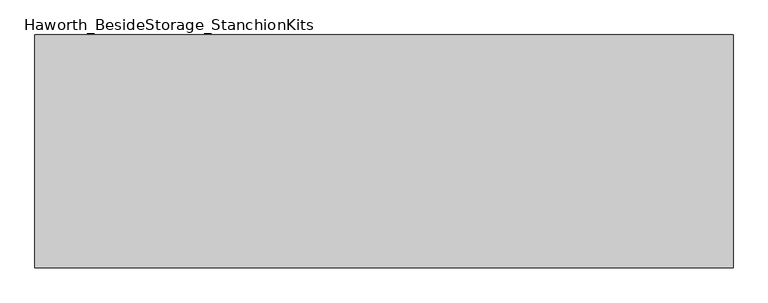
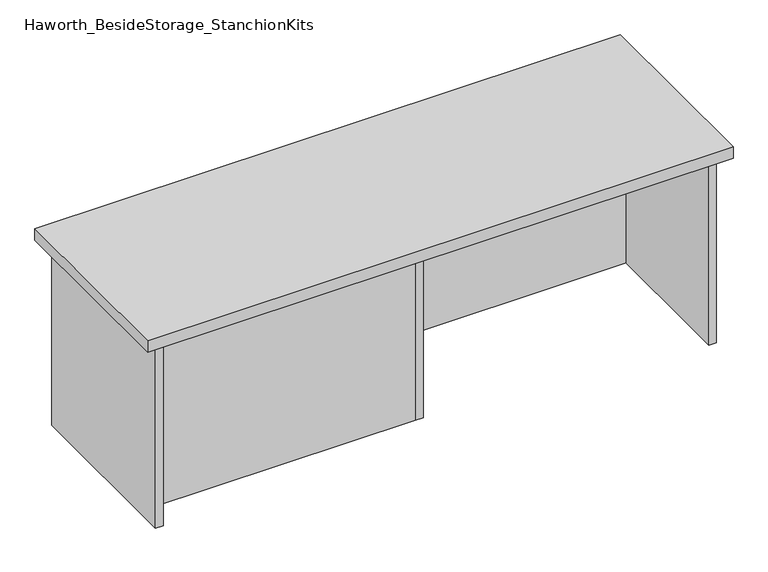
"""IFC4 building model written with IfcOpenShell, lengths in millimetres: furniture geometry, Haworth_BesideStorage_StanchionKits."""

from ifc_helpers import new_model, si_unit, frame, origin, place, context, project, spatial, polyline, outline, extrude, source, transform, mapped, element, save


def haworth_besidestorage_stanchionkits_1e2cc4ef(model_context):
    return source(origin(), model_context, "Body", "SweptSolid", [
        extrude(outline(polyline([(771.525, 0.0), (771.525, -406.4), (-447.675, -406.4), (-447.675, 0.0), (771.525, 0.0)])), frame((0.0, 0.0, 838.2), z_axis=(0.0, 0.0, 1.0), x_axis=(1.0, 0.0, 0.0)), (0.0, 0.0, 1.0), 25.4),
        extrude(outline(polyline([(169.8625, -76.2), (730.25, -76.2), (730.25, -92.075), (169.8625, -92.075), (169.8625, -76.2)])), frame((0.0, 0.0, 431.8), z_axis=(0.0, 0.0, 1.0), x_axis=(1.0, 0.0, 0.0)), (0.0, 0.0, 1.0), 406.4),
        extrude(outline(polyline([(153.9875, -314.325), (153.9875, -330.2), (-406.4, -330.2), (-406.4, -314.325), (153.9875, -314.325)])), frame((0.0, 0.0, 431.8), z_axis=(0.0, 0.0, 1.0), x_axis=(1.0, 0.0, 0.0)), (0.0, 0.0, 1.0), 406.4),
        extrude(outline(polyline([(169.8625, -330.2), (153.9875, -330.2), (153.9875, -76.2), (169.8625, -76.2), (169.8625, -330.2)])), frame((0.0, 0.0, 431.8), z_axis=(0.0, 0.0, 1.0), x_axis=(1.0, 0.0, 0.0)), (0.0, 0.0, 1.0), 406.4),
        extrude(outline(polyline([(746.125, -390.525), (730.25, -390.525), (730.25, -15.875), (746.125, -15.875), (746.125, -390.525)])), frame((0.0, 0.0, 431.8), z_axis=(0.0, 0.0, 1.0), x_axis=(1.0, 0.0, 0.0)), (0.0, 0.0, 1.0), 406.4),
        extrude(outline(polyline([(-406.4, -390.525), (-422.275, -390.525), (-422.275, -15.875), (-406.4, -15.875), (-406.4, -390.525)])), frame((0.0, 0.0, 431.8), z_axis=(0.0, 0.0, 1.0), x_axis=(1.0, 0.0, 0.0)), (0.0, 0.0, 1.0), 406.4),
    ])


if __name__ == "__main__":
    model = new_model("IFC4")
    model_context = context("Model", 3, world=origin())
    ifc_project = project(units=[si_unit("LENGTHUNIT", "METRE", prefix="MILLI")], contexts=[model_context])
    site = spatial("IfcSite", under=ifc_project)
    building = spatial("IfcBuilding", under=site)
    placement = place(None, origin())
    haworth_besidestorage_stanchionkits_shape = haworth_besidestorage_stanchionkits_1e2cc4ef(model_context)
    element("IfcFurniture", 1, ObjectType="Haworth_BesideStorage_StanchionKits", at=placement, inside=building, context=model_context, shape_type="MappedRepresentation", body=[
        mapped(haworth_besidestorage_stanchionkits_shape, transform((0.0, 0.0, 0.0), x_axis=(1.0, 0.0, 0.0), y_axis=(0.0, 1.0, 0.0), z_axis=(0.0, 0.0, 1.0))),
    ])
    save(model, "model.ifc")
